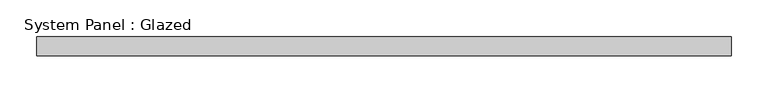
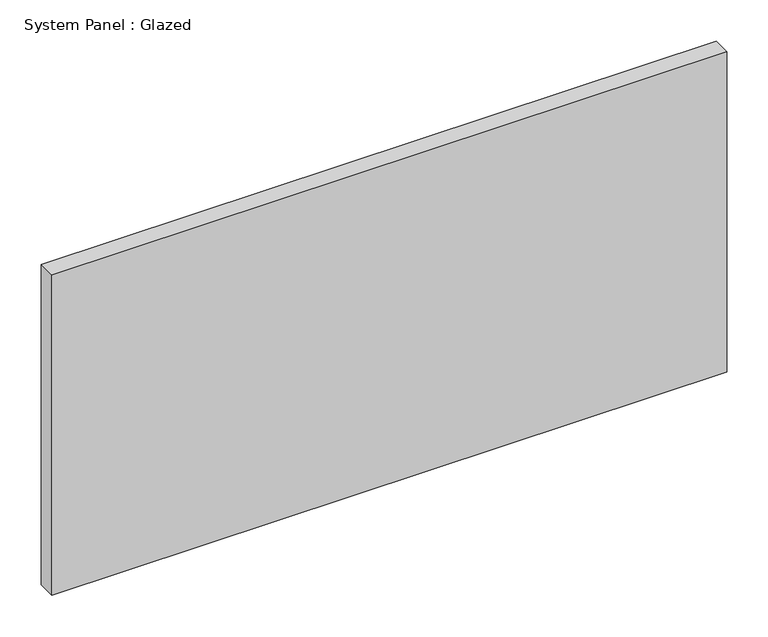
"""IFC4 building model written with IfcOpenShell, lengths in millimetres: plate geometry, System Panel : Glazed."""

from ifc_helpers import new_model, si_unit, origin, origin_with_axes, place, context, project, spatial, polyline, outline, extrude, source, transform, mapped, element, save


def system_panel_glazed_aff4c6c2(model_context):
    return source(origin(), model_context, "Body", "SweptSolid", [
        extrude(outline(polyline([(469.9, -44.45), (-469.9, -44.45), (-469.9, -19.05), (469.9, -19.05), (469.9, -44.45)])), origin_with_axes(), (0.0, 0.0, 1.0), 472.0166667),
    ])


if __name__ == "__main__":
    model = new_model("IFC4")
    model_context = context("Model", 3, world=origin())
    ifc_project = project(units=[si_unit("LENGTHUNIT", "METRE", prefix="MILLI")], contexts=[model_context])
    site = spatial("IfcSite", under=ifc_project)
    building = spatial("IfcBuilding", under=site)
    placement = place(None, origin())
    system_panel_glazed_shape = system_panel_glazed_aff4c6c2(model_context)
    element("IfcPlate", 1, ObjectType="System Panel : Glazed", at=placement, inside=building, context=model_context, shape_type="MappedRepresentation", body=[
        mapped(system_panel_glazed_shape, transform((0.0, 0.0, 0.0), x_axis=(1.0, 0.0, 0.0), y_axis=(0.0, 1.0, 0.0), z_axis=(0.0, 0.0, 1.0))),
    ])
    save(model, "model.ifc")
